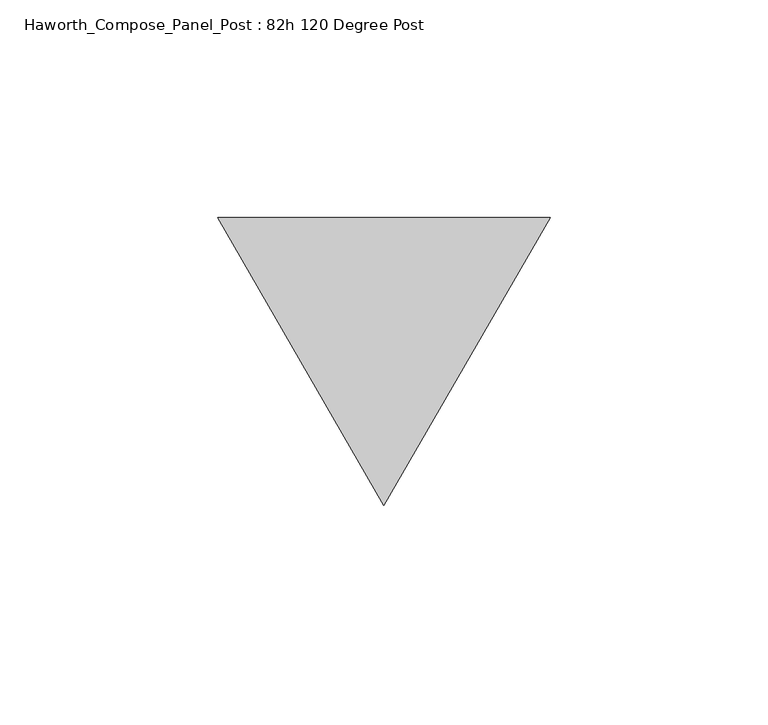
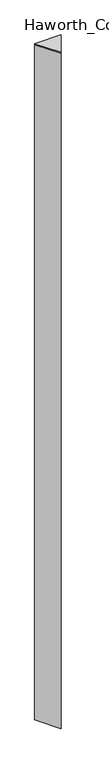
"""IFC4 building model written with IfcOpenShell, lengths in millimetres: furniture geometry, Haworth_Compose_Panel_Post : 82h 120 Degree Post."""

from ifc_helpers import new_model, si_unit, frame, origin, place, context, project, spatial, polyline, outline, extrude, source, transform, mapped, element, save


def haworth_compose_panel_post_82h_120_degree_post_bea8a06b(model_context):
    return source(origin(), model_context, "Body", "SweptSolid", [
        extrude(outline(polyline([(76.2, 32.9955679), (38.1, -32.9955679), (0.0, 32.9955679), (76.2, 32.9955679)])), frame((0.0, 0.0, 2076.45), z_axis=(0.0, 0.0, 1.0), x_axis=(1.0, 0.0, 0.0)), (0.0, 0.0, 1.0), 3.175),
        extrude(outline(polyline([(76.2, 32.9955679), (38.1, -32.9955679), (0.0, 32.9955679), (76.2, 32.9955679)])), frame((0.0, 0.0, 12.7), z_axis=(0.0, 0.0, 1.0), x_axis=(1.0, 0.0, 0.0)), (0.0, 0.0, 1.0), 2063.75),
    ])


if __name__ == "__main__":
    model = new_model("IFC4")
    model_context = context("Model", 3, world=origin())
    ifc_project = project(units=[si_unit("LENGTHUNIT", "METRE", prefix="MILLI")], contexts=[model_context])
    site = spatial("IfcSite", under=ifc_project)
    building = spatial("IfcBuilding", under=site)
    placement = place(None, origin())
    haworth_compose_panel_post_82h_120_degree_post_shape = haworth_compose_panel_post_82h_120_degree_post_bea8a06b(model_context)
    element("IfcFurniture", 1, ObjectType="Haworth_Compose_Panel_Post : 82h 120 Degree Post", at=placement, inside=building, context=model_context, shape_type="MappedRepresentation", body=[
        mapped(haworth_compose_panel_post_82h_120_degree_post_shape, transform((0.0, 0.0, 0.0), x_axis=(1.0, 0.0, 0.0), y_axis=(0.0, 1.0, 0.0), z_axis=(0.0, 0.0, 1.0))),
    ])
    save(model, "model.ifc")
